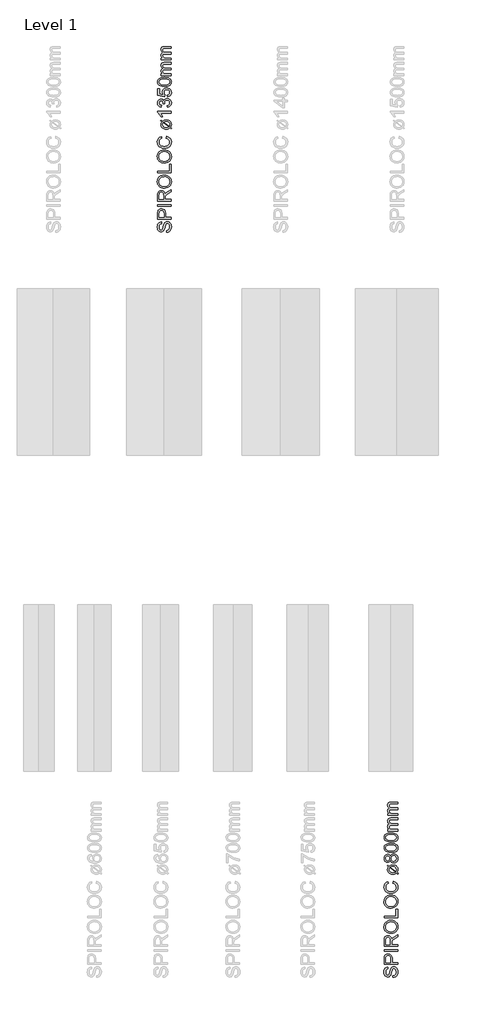
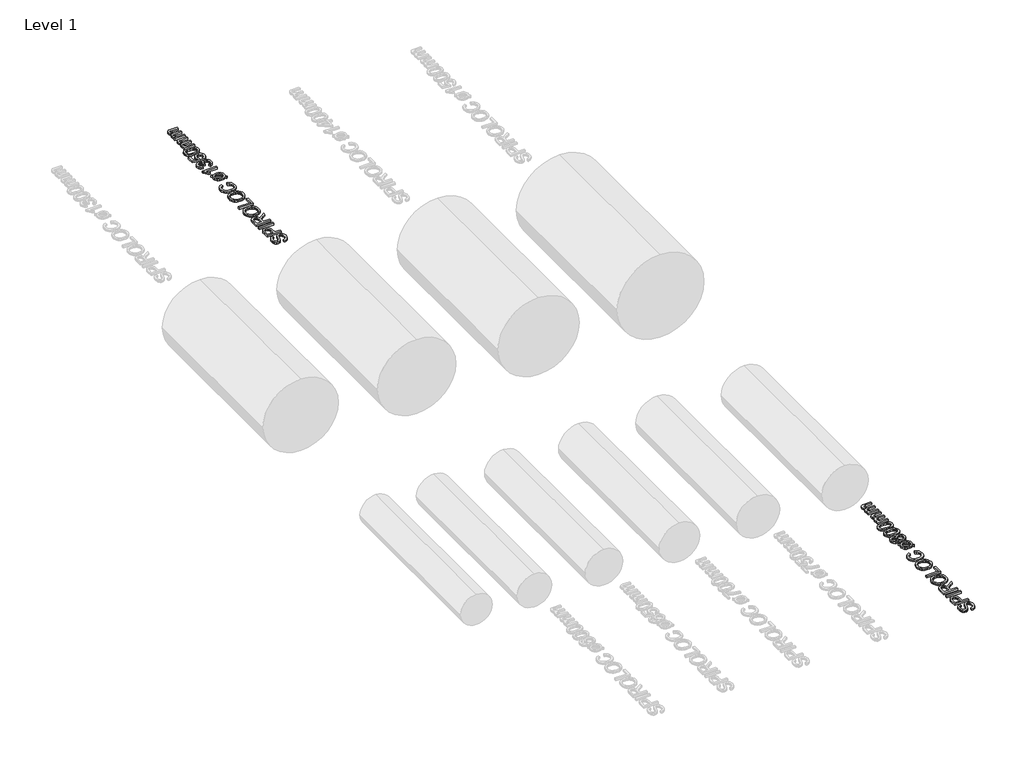
# One storey, part 18 of 19: 2 proxies.
"""IFC4 building model written with IfcOpenShell, lengths in millimetres."""

from ifc_helpers import new_model, si_unit, origin, origin_with_axes, place, context, project, spatial, polyline, outline, extrude, element, save

model = new_model("IFC4")

# Units and contexts
model_context = context("Model", 3, world=origin())
ifc_project = project(units=[si_unit("LENGTHUNIT", "METRE", prefix="MILLI")], contexts=[model_context])

# Site, building, storey
site = spatial("IfcSite", under=ifc_project)
building = spatial("IfcBuilding", under=site)
storey = spatial("IfcBuildingStorey", under=building, Name="Level 1", Elevation=0.0)

# Proxies
placement = place(None, origin())
element("IfcBuildingElementProxy", 1, Name="250mm", ObjectType="250mm", at=placement, inside=storey, context=model_context, shape_type="SweptSolid", body=[
    extrude(outline(polyline([(20678.116604, -1501.7841772), (20678.116604, -1471.0149464), (20695.1914237, -1467.4842974), (20708.9158829, -1461.099081), (20719.8083108, -1451.1381435), (20728.3870367, -1436.880331), (20733.953443, -1419.4524464), (20735.8089117, -1399.9812926), (20730.1899213, -1367.8298502), (20723.5192483, -1355.6678911), (20714.7452098, -1347.0666291), (20704.671592, -1341.950944), (20694.102181, -1340.2457156), (20674.9014598, -1345.3538887), (20667.3068084, -1353.1363406), (20660.929104, -1366.2673502), (20649.180306, -1411.0690329), (20634.0060271, -1459.2961964), (20623.6544646, -1474.6132036), (20611.1093925, -1485.4680714), (20596.6412435, -1491.93592), (20580.5204502, -1494.0918695), (20562.499116, -1491.4251026), (20545.694729, -1483.4248022), (20531.4519406, -1470.3013046), (20521.1154021, -1452.2649464), (20514.827842, -1430.615307), (20512.7319886, -1406.6519656), (20514.9254983, -1380.6904272), (20521.5060271, -1357.974081), (20532.3383588, -1339.3142252), (20547.2872771, -1325.5221579), (20565.4212915, -1316.7931916), (20585.8089117, -1313.3226387), (20585.8089117, -1344.0918695), (20567.4495367, -1349.7409079), (20554.1983348, -1361.5197541), (20546.1754983, -1379.9242012), (20543.5012194, -1405.4500426), (20546.1454502, -1431.5768454), (20554.0781425, -1449.5005233), (20565.7518204, -1459.8671099), (20579.6190079, -1463.3226387), (20591.4429261, -1460.8737204), (20600.9531425, -1453.5269656), (20609.4567483, -1436.1591772), (20618.1406425, -1403.286581), (20633.585354, -1348.8394656), (20644.7482146, -1331.2989007), (20658.5252579, -1319.0618214), (20674.7662435, -1311.872819), (20693.320931, -1309.4764849), (20712.2887795, -1312.2333959), (20730.1298252, -1320.5041291), (20745.4843925, -1333.9506435), (20756.992806, -1352.2348983), (20764.1818084, -1374.2225786), (20766.5781425, -1398.7793695), (20763.9940079, -1428.9251026), (20756.241604, -1453.7373022), (20743.2908829, -1473.5014248), (20725.1117963, -1488.5029272), (20702.9663636, -1498.1333358), (20678.116604, -1501.7841772)])), origin_with_axes(), (0.0, 0.0, 1.0), 30.0),
    extrude(outline(polyline([(20762.7319886, -1263.3226387), (20516.5781425, -1263.3226387), (20516.5781425, -1172.0966772), (20518.9218925, -1135.317831), (20523.3013997, -1118.919093), (20530.430306, -1105.4199945), (20540.6316281, -1094.5501026), (20554.2283829, -1086.0389849), (20570.2665439, -1080.5401868), (20587.7920848, -1078.7072541), (20616.8035031, -1083.6576748), (20640.977181, -1098.5089368), (20650.4949093, -1110.4023412), (20657.2932867, -1126.2808719), (20661.3723132, -1146.1445287), (20662.7319886, -1169.9933118), (20662.7319886, -1232.5534079), (20762.7319886, -1232.5534079), (20762.7319886, -1263.3226387)]), holes=[polyline([(20631.9627579, -1232.5534079), (20631.9627579, -1168.1904272), (20629.1382386, -1140.9067733), (20620.664681, -1122.8779272), (20607.0679261, -1112.8268454), (20588.8738156, -1109.4764849), (20575.0517002, -1111.4521459), (20563.3930463, -1117.3791291), (20554.6190079, -1126.5212565), (20549.4507386, -1138.1423502), (20547.3473733, -1168.911581), (20547.3473733, -1232.5534079), (20631.9627579, -1232.5534079)])]), origin_with_axes(), (0.0, 0.0, 1.0), 30.0),
    extrude(outline(polyline([(20762.7319886, -1032.5534079), (20516.5781425, -1032.5534079), (20516.5781425, -1001.7841772), (20762.7319886, -1001.7841772), (20762.7319886, -1032.5534079)])), origin_with_axes(), (0.0, 0.0, 1.0), 30.0),
    extrude(outline(polyline([(20762.7319886, -940.2457156), (20516.5781425, -940.2457156), (20516.5781425, -834.1760041), (20518.2382987, -805.6678911), (20523.2187675, -784.927206), (20532.413479, -769.7679512), (20546.7163636, -758.0041291), (20564.452241, -750.4545498), (20583.945931, -747.9380233), (20608.194729, -752.107194), (20628.2968925, -764.614706), (20643.0354742, -785.8361603), (20651.1935271, -816.1471579), (20664.3545848, -798.6591772), (20696.0252579, -773.7192733), (20762.7319886, -732.6736002), (20762.7319886, -768.4308118), (20711.710354, -800.4620618), (20677.9363156, -823.599081), (20661.9807867, -839.8550906), (20656.1214117, -854.4885041), (20655.039681, -872.3370618), (20655.039681, -909.4764849), (20762.7319886, -909.4764849), (20762.7319886, -940.2457156)]), holes=[polyline([(20624.2704502, -909.4764849), (20624.2704502, -840.6062926), (20619.913479, -805.4800906), (20614.2494165, -793.9266051), (20605.9711713, -785.5281676), (20595.9576497, -780.4124825), (20585.0877579, -778.7072541), (20570.0787435, -781.9599584), (20557.9843925, -791.7180714), (20550.0066281, -808.5074344), (20547.3473733, -832.8538887), (20547.3473733, -909.4764849), (20624.2704502, -909.4764849)])]), origin_with_axes(), (0.0, 0.0, 1.0), 30.0),
    extrude(outline(polyline([(20642.9002579, -705.630331), (20614.027812, -703.5795498), (20588.4681665, -697.427206), (20566.2213216, -687.1732998), (20547.2872771, -672.817831), (20532.1693384, -655.220926), (20521.3708108, -635.2427108), (20514.8916942, -612.8831856), (20512.7319886, -588.1423502), (20516.788479, -555.8556916), (20528.9579502, -526.9043695), (20548.3840319, -502.8659079), (20574.210354, -485.317831), (20605.1899213, -474.5906676), (20640.0757386, -471.0149464), (20675.4273011, -474.778468), (20706.8425656, -486.0690329), (20732.7139598, -504.2631435), (20751.4339117, -528.7373022), (20762.7920848, -557.4407276), (20766.5781425, -588.3226387), (20762.3939478, -621.1050906), (20749.8413636, -650.2216772), (20730.054705, -674.2000426), (20704.1682867, -691.567831), (20674.3831305, -702.114706), (20642.9002579, -705.630331)]), holes=[polyline([(20643.2007386, -674.8611002), (20663.5996269, -673.3230143), (20681.7073492, -668.7087565), (20697.5239057, -661.0183268), (20711.0492963, -650.2517252), (20721.8816281, -637.1639097), (20729.6190079, -622.5098382), (20734.2614358, -606.2895107), (20735.8089117, -588.5029272), (20734.2464117, -570.4121069), (20729.5589117, -554.0002228), (20721.7464117, -539.2672751), (20710.8089117, -526.2132637), (20696.9980644, -515.5255383), (20680.5655223, -507.8914488), (20661.5112855, -503.3109951), (20639.835354, -501.7841772), (20612.5967723, -504.3983599), (20589.054104, -512.2409079), (20569.8007987, -525.1089969), (20555.430306, -542.7998022), (20546.483491, -564.1414488), (20543.5012194, -587.9620618), (20549.2479141, -621.0600185), (20566.4879983, -649.2000426), (20579.9025866, -660.4267553), (20597.1595728, -668.4458358), (20618.2589568, -673.2572841), (20643.2007386, -674.8611002)])]), origin_with_axes(), (0.0, 0.0, 1.0), 30.0),
    extrude(outline(polyline([(20762.7319886, -428.7072541), (20516.5781425, -428.7072541), (20516.5781425, -397.9380233), (20731.9627579, -397.9380233), (20731.9627579, -274.8611002), (20762.7319886, -274.8611002), (20762.7319886, -428.7072541)])), origin_with_axes(), (0.0, 0.0, 1.0), 30.0),
    extrude(outline(polyline([(20642.9002579, -251.7841772), (20614.027812, -249.7333959), (20588.4681665, -243.5810522), (20566.2213216, -233.3271459), (20547.2872771, -218.9716772), (20532.1693384, -201.3747721), (20521.3708108, -181.396557), (20514.8916942, -159.0370317), (20512.7319886, -134.2961964), (20516.788479, -102.0095377), (20528.9579502, -73.0582156), (20548.3840319, -49.0197541), (20574.210354, -31.4716772), (20605.1899213, -20.7445137), (20640.0757386, -17.1687926), (20675.4273011, -20.9323142), (20706.8425656, -32.2228791), (20732.7139598, -50.4169897), (20751.4339117, -74.8911483), (20762.7920848, -103.5945738), (20766.5781425, -134.4764849), (20762.3939478, -167.2589368), (20749.8413636, -196.3755233), (20730.054705, -220.3538887), (20704.1682867, -237.7216772), (20674.3831305, -248.2685522), (20642.9002579, -251.7841772)]), holes=[polyline([(20643.2007386, -221.0149464), (20663.5996269, -219.4768605), (20681.7073492, -214.8626026), (20697.5239057, -207.172173), (20711.0492963, -196.4055714), (20721.8816281, -183.3177559), (20729.6190079, -168.6636844), (20734.2614358, -152.4433569), (20735.8089117, -134.6567733), (20734.2464117, -116.565953), (20729.5589117, -100.154069), (20721.7464117, -85.4211213), (20710.8089117, -72.3671099), (20696.9980644, -61.6793845), (20680.5655223, -54.045295), (20661.5112855, -49.4648412), (20639.835354, -47.9380233), (20612.5967723, -50.552206), (20589.054104, -58.3947541), (20569.8007987, -71.262843), (20555.430306, -88.9536483), (20546.483491, -110.295295), (20543.5012194, -134.1159079), (20549.2479141, -167.2138647), (20566.4879983, -195.3538887), (20579.9025866, -206.5806014), (20597.1595728, -214.599682), (20618.2589568, -219.4111303), (20643.2007386, -221.0149464)])]), origin_with_axes(), (0.0, 0.0, 1.0), 30.0),
    extrude(outline(polyline([(20675.2319886, 198.2158228), (20683.164681, 228.9850536), (20719.0195487, 214.7873373), (20745.2139598, 192.5066882), (20761.2370968, 163.2398613), (20766.5781425, 128.0836113), (20762.5366761, 92.3940079), (20750.4122771, 64.0511594), (20730.6256185, 42.3263998), (20703.5973733, 26.4910632), (20671.8215319, 16.8230945), (20637.7920848, 13.6004382), (20601.8996569, 17.2437675), (20570.9050656, 28.1737555), (20545.7923853, 45.8194887), (20527.5456906, 69.6100536), (20516.4354141, 97.8251978), (20512.7319886, 128.744669), (20517.5246569, 162.4811474), (20531.9026617, 190.3732748), (20554.9795848, 211.549657), (20585.8690079, 225.1388998), (20593.2007386, 194.369669), (20570.7623372, 183.7026017), (20555.3702098, 169.1292844), (20546.468467, 150.4694286), (20543.5012194, 127.5427459), (20546.7914838, 101.1154623), (20556.6622771, 79.4057267), (20572.0769406, 62.9318685), (20591.9988156, 52.2122171), (20614.5198492, 46.330306), (20637.7319886, 44.369669), (20666.1574694, 46.6908829), (20690.7367963, 53.6545248), (20710.530967, 65.5235151), (20724.600979, 82.5607748), (20733.0069285, 102.985955), (20735.8089117, 125.0187074), (20731.992806, 150.7023012), (20720.5444886, 172.104044), (20701.5841521, 188.2623974), (20675.2319886, 198.2158228)])), origin_with_axes(), (0.0, 0.0, 1.0), 30.0),
    extrude(outline(polyline([(20595.664681, 490.2831305), (20571.3858348, 508.6725536), (20582.5637194, 523.3360151), (20607.9843925, 504.0451498), (20634.2464117, 519.5499574), (20673.429104, 525.1388998), (20696.9717723, 523.3923553), (20717.179104, 518.1527219), (20734.0510992, 509.4199995), (20747.5877579, 497.1941882), (20761.8305463, 472.2092123), (20766.5781425, 442.5667844), (20762.5366761, 417.822193), (20750.4122771, 396.1124574), (20774.2704502, 378.0235151), (20763.3329502, 363.119669), (20740.5565079, 380.4273613), (20717.3593925, 366.4249574), (20697.5577098, 361.4219526), (20675.2920848, 359.7542844), (20651.4057417, 361.2717123), (20631.0688276, 365.8239959), (20614.2813426, 373.4111353), (20601.0432867, 384.0331305), (20583.8482747, 410.4303661), (20578.116604, 441.0643805), (20582.3533829, 466.0042844), (20595.664681, 490.2831305)]), holes=[polyline([(20617.539681, 473.6965921), (20611.0492963, 458.3119767), (20608.8858348, 442.2062074), (20613.0399814, 421.9988757), (20625.5024213, 405.3672651), (20646.1830103, 394.2344526), (20674.991604, 390.5235151), (20697.4074694, 392.6719526), (20715.8569886, 399.1172651), (20617.539681, 473.6965921)]), polyline([(20632.9242963, 485.1749574), (20730.7007386, 411.0163036), (20735.8089117, 440.5836113), (20731.7449093, 461.9177459), (20719.5529021, 479.1653421), (20699.2479141, 490.5685873), (20670.8449694, 494.369669), (20649.6310271, 492.025919), (20632.9242963, 485.1749574)])]), origin_with_axes(), (0.0, 0.0, 1.0), 30.0),
    extrude(outline(polyline([(20627.1550656, 608.432169), (20619.0420848, 591.9583108), (20608.0444886, 580.3973132), (20594.3876377, 573.5688877), (20578.2968925, 571.2927459), (20554.2434069, 576.2506786), (20534.366604, 591.1244767), (20521.0252579, 614.2464719), (20516.5781425, 643.9489959), (20521.1304261, 673.8318084), (20534.7872771, 697.2542844), (20554.9795848, 712.3985151), (20579.1382386, 717.4465921), (20594.7106545, 715.2004983), (20608.1346329, 708.4622171), (20619.0646209, 697.1566281), (20627.1550656, 681.2086113), (20636.9131785, 700.1464118), (20651.2836713, 713.9309671), (20669.5754382, 722.3369166), (20691.0973733, 725.1388998), (20720.5144406, 719.5800055), (20744.8233348, 702.9033228), (20754.3410632, 690.9066281), (20761.1394406, 677.1521209), (20766.5781425, 644.369669), (20761.1169045, 611.5872171), (20754.290357, 597.8327099), (20744.7331906, 585.8360151), (20720.1914237, 569.1593324), (20690.2560271, 563.6004382), (20667.9002579, 566.5151017), (20649.5108348, 575.2590921), (20635.7187675, 589.3816882), (20627.1550656, 608.432169)]), holes=[polyline([(20579.1983348, 602.0619767), (20592.6298252, 604.7888397), (20603.3569886, 612.9694286), (20610.3882386, 626.3633589), (20612.7319886, 644.7302459), (20610.4032627, 662.6689478), (20603.4170848, 675.8600536), (20593.0504983, 683.9730344), (20580.5805463, 686.6773613), (20567.6373372, 683.8828901), (20556.9327098, 675.4994767), (20549.7437074, 662.1280824), (20547.3473733, 644.369669), (20549.6911233, 626.4985752), (20556.7223733, 613.1497171), (20567.0288636, 604.8339118), (20579.1983348, 602.0619767)]), polyline([(20689.1742963, 594.369669), (20712.3413636, 599.5078901), (20722.2797651, 606.6217724), (20729.679104, 617.6869767), (20735.8089117, 644.6100536), (20732.5862555, 665.5535632), (20722.9182867, 681.2687074), (20708.2773612, 691.0944286), (20690.1358348, 694.369669), (20671.6863156, 690.9892603), (20656.7223733, 680.8480344), (20646.8065079, 664.7723132), (20643.5012194, 643.588419), (20646.7614358, 622.9378781), (20656.5420848, 607.3804863), (20671.2205704, 597.6223733), (20689.1742963, 594.369669)])]), origin_with_axes(), (0.0, 0.0, 1.0), 30.0),
    extrude(outline(polyline([(20641.6382386, 752.0619767), (20602.2376978, 754.3230945), (20570.8149213, 761.1064478), (20546.8891401, 772.3444286), (20529.9795848, 787.9694286), (20519.9285031, 808.0941281), (20516.5781425, 832.8312074), (20518.5613156, 851.791544), (20524.5108348, 868.7687074), (20534.1938276, 882.9664238), (20547.3774213, 893.588419), (20583.7956906, 908.0114959), (20608.9985151, 912.2032026), (20641.6382386, 913.6004382), (20680.8134189, 911.3618565), (20712.1610752, 904.6461113), (20736.1093925, 893.4757387), (20753.086556, 877.8732748), (20763.2052459, 857.7035031), (20766.5781425, 832.8312074), (20765.1132987, 815.8840921), (20760.7187675, 800.8600536), (20753.3945487, 787.7590921), (20743.1406425, 776.5812074), (20724.604735, 765.854044), (20701.5090319, 758.1917844), (20673.8535331, 753.5944286), (20641.6382386, 752.0619767)]), holes=[polyline([(20641.5781425, 782.8312074), (20689.9780824, 786.4369767), (20706.5326948, 790.9441882), (20717.9904021, 797.2542844), (20731.3542843, 813.3600536), (20735.8089117, 832.8312074), (20731.3392603, 852.3023613), (20717.930306, 868.4081305), (20706.4538186, 874.7182267), (20689.9029622, 879.2254382), (20641.5781425, 882.8312074), (20594.2674454, 879.3456305), (20577.7672951, 874.9886594), (20566.0372771, 868.8888998), (20552.0198492, 852.8131786), (20547.3473733, 832.4706305), (20551.4639598, 813.2098132), (20563.8137194, 797.7350536), (20576.5841521, 791.2146209), (20593.8017002, 786.557169), (20641.5781425, 782.8312074)])]), origin_with_axes(), (0.0, 0.0, 1.0), 30.0),
    extrude(outline(polyline([(20641.6382386, 940.5235151), (20602.2376978, 942.7846329), (20570.8149213, 949.5679863), (20546.8891401, 960.8059671), (20529.9795848, 976.4309671), (20519.9285031, 996.5556666), (20516.5781425, 1021.2927459), (20518.5613156, 1040.2530824), (20524.5108348, 1057.2302459), (20534.1938276, 1071.4279623), (20547.3774213, 1082.0499574), (20583.7956906, 1096.4730344), (20608.9985151, 1100.6647411), (20641.6382386, 1102.0619767), (20680.8134189, 1099.8233949), (20712.1610752, 1093.1076498), (20736.1093925, 1081.9372772), (20753.086556, 1066.3348132), (20763.2052459, 1046.1650416), (20766.5781425, 1021.2927459), (20765.1132987, 1004.3456305), (20760.7187675, 989.3215921), (20753.3945487, 976.2206305), (20743.1406425, 965.0427459), (20724.604735, 954.3155824), (20701.5090319, 946.6533228), (20673.8535331, 942.0559671), (20641.6382386, 940.5235151)]), holes=[polyline([(20641.5781425, 971.2927459), (20689.9780824, 974.8985151), (20706.5326948, 979.4057267), (20717.9904021, 985.7158228), (20731.3542843, 1001.8215921), (20735.8089117, 1021.2927459), (20731.3392603, 1040.7638998), (20717.930306, 1056.869669), (20706.4538186, 1063.1797651), (20689.9029622, 1067.6869767), (20641.5781425, 1071.2927459), (20594.2674454, 1067.807169), (20577.7672951, 1063.4501978), (20566.0372771, 1057.3504382), (20552.0198492, 1041.2747171), (20547.3473733, 1020.932169), (20551.4639598, 1001.6713517), (20563.8137194, 986.1965921), (20576.5841521, 979.6761594), (20593.8017002, 975.0187074), (20641.5781425, 971.2927459)])]), origin_with_axes(), (0.0, 0.0, 1.0), 30.0),
    extrude(outline(polyline([(20762.7319886, 1136.6773613), (20581.9627579, 1136.6773613), (20581.9627579, 1167.4465921), (20611.710354, 1167.4465921), (20598.045991, 1176.7013998), (20587.3413636, 1188.6004382), (20580.4227939, 1202.7380584), (20578.116604, 1218.7086113), (20580.467866, 1235.8209911), (20587.5216521, 1249.5379382), (20598.812217, 1259.7843324), (20613.8738156, 1266.4850536), (20598.2300355, 1277.7004983), (20587.0559069, 1290.4934671), (20580.3514298, 1304.8639599), (20578.116604, 1320.8119767), (20581.8350535, 1343.9414839), (20592.9904021, 1361.0463517), (20611.8831305, 1371.6157627), (20638.8137194, 1375.1388998), (20762.7319886, 1375.1388998), (20762.7319886, 1344.369669), (20652.0348733, 1344.369669), (20626.3437675, 1341.5151017), (20613.6935271, 1331.1785632), (20608.8858348, 1313.6004382), (20611.9657627, 1296.9312675), (20621.2055463, 1283.3420248), (20637.2361954, 1274.3050656), (20660.6887194, 1271.2927459), (20762.7319886, 1271.2927459), (20762.7319886, 1240.5235151), (20648.6093925, 1240.5235151), (20631.211556, 1238.7431666), (20618.8017002, 1233.4021209), (20611.3648011, 1224.0045849), (20608.8858348, 1210.0547651), (20610.538479, 1198.2007988), (20615.4964117, 1187.2783228), (20623.6394406, 1178.2638998), (20634.8473733, 1172.1340921), (20671.5661233, 1167.4465921), (20762.7319886, 1167.4465921), (20762.7319886, 1136.6773613)])), origin_with_axes(), (0.0, 0.0, 1.0), 30.0),
    extrude(outline(polyline([(20762.7319886, 1421.2927459), (20581.9627579, 1421.2927459), (20581.9627579, 1452.0619767), (20611.710354, 1452.0619767), (20598.045991, 1461.3167844), (20587.3413636, 1473.2158228), (20580.4227939, 1487.353443), (20578.116604, 1503.3239959), (20580.467866, 1520.4363757), (20587.5216521, 1534.1533228), (20598.812217, 1544.3997171), (20613.8738156, 1551.1004382), (20598.2300355, 1562.3158829), (20587.0559069, 1575.1088517), (20580.3514298, 1589.4793445), (20578.116604, 1605.4273613), (20581.8350535, 1628.5568685), (20592.9904021, 1645.6617363), (20611.8831305, 1656.2311474), (20638.8137194, 1659.7542844), (20762.7319886, 1659.7542844), (20762.7319886, 1628.9850536), (20652.0348733, 1628.9850536), (20626.3437675, 1626.1304863), (20613.6935271, 1615.7939478), (20608.8858348, 1598.2158228), (20611.9657627, 1581.5466522), (20621.2055463, 1567.9574094), (20637.2361954, 1558.9204502), (20660.6887194, 1555.9081305), (20762.7319886, 1555.9081305), (20762.7319886, 1525.1388998), (20648.6093925, 1525.1388998), (20631.211556, 1523.3585512), (20618.8017002, 1518.0175055), (20611.3648011, 1508.6199695), (20608.8858348, 1494.6701498), (20610.538479, 1482.8161834), (20615.4964117, 1471.8937074), (20623.6394406, 1462.8792844), (20634.8473733, 1456.7494767), (20671.5661233, 1452.0619767), (20762.7319886, 1452.0619767), (20762.7319886, 1421.2927459)])), origin_with_axes(), (0.0, 0.0, 1.0), 30.0),
])
element("IfcBuildingElementProxy", 2, Name="250mm", ObjectType="250mm", at=placement, inside=storey, context=model_context, shape_type="SweptSolid", body=[
    extrude(outline(polyline([(16588.3043383, 11932.8312074), (16588.3043383, 11963.6004382), (16605.3791581, 11967.1310873), (16619.1036172, 11973.5163036), (16629.9960451, 11983.4772411), (16638.574771, 11997.7350536), (16644.1411773, 12015.1629382), (16645.996646, 12034.6340921), (16640.3776557, 12066.7855344), (16633.7069826, 12078.9474935), (16624.9329441, 12087.5487555), (16614.8593263, 12092.6644406), (16604.2899153, 12094.369669), (16585.0891941, 12089.2614959), (16577.4945427, 12081.479044), (16571.1168383, 12068.3480344), (16559.3680403, 12023.5463517), (16544.1937614, 11975.3191882), (16533.8421989, 11960.002181), (16521.2971268, 11949.1473132), (16506.8289778, 11942.6794647), (16490.7081845, 11940.5235151), (16472.6868504, 11943.190282), (16455.8824633, 11951.1905824), (16441.6396749, 11964.31408), (16431.3031364, 11982.3504382), (16425.0155763, 12004.0000776), (16422.919723, 12027.963419), (16425.1132326, 12053.9249574), (16431.6937614, 12076.6413036), (16442.5260932, 12095.3011594), (16457.4750114, 12109.0932267), (16475.6090258, 12117.822193), (16495.996646, 12121.2927459), (16495.996646, 12090.5235151), (16477.637271, 12084.8744767), (16464.3860691, 12073.0956305), (16456.3632326, 12054.6911834), (16453.6889537, 12029.1653421), (16456.3331845, 12003.0385392), (16464.2658768, 11985.1148613), (16475.9395547, 11974.7482748), (16489.8067422, 11971.2927459), (16501.6306605, 11973.7416642), (16511.1408768, 11981.088419), (16519.6444826, 11998.4562074), (16528.3283768, 12031.3288036), (16543.7730883, 12085.775919), (16554.9359489, 12103.3164839), (16568.7129922, 12115.5535632), (16584.9539778, 12122.7425656), (16603.5086653, 12125.1388998), (16622.4765138, 12122.3819887), (16640.3175595, 12114.1112555), (16655.6721268, 12100.6647411), (16667.1805403, 12082.3804863), (16674.3695427, 12060.392806), (16676.7658768, 12035.8360151), (16674.1817422, 12005.690282), (16666.4293383, 11980.8780824), (16653.4786172, 11961.1139599), (16635.2995307, 11946.1124574), (16613.154098, 11936.4820488), (16588.3043383, 11932.8312074)])), origin_with_axes(), (0.0, 0.0, 1.0), 30.0),
    extrude(outline(polyline([(16672.919723, 12171.2927459), (16426.7658768, 12171.2927459), (16426.7658768, 12262.5187074), (16429.1096268, 12299.2975536), (16433.489134, 12315.6962916), (16440.6180403, 12329.1953901), (16450.8193624, 12340.065282), (16464.4161172, 12348.5763998), (16480.4542783, 12354.0751978), (16497.9798191, 12355.9081305), (16526.9912374, 12350.9577099), (16551.1649153, 12336.1064478), (16560.6826436, 12324.2130434), (16567.481021, 12308.3345127), (16571.5600475, 12288.4708559), (16572.919723, 12264.6220728), (16572.919723, 12202.0619767), (16672.919723, 12202.0619767), (16672.919723, 12171.2927459)]), holes=[polyline([(16542.1504922, 12202.0619767), (16542.1504922, 12266.4249574), (16539.325973, 12293.7086113), (16530.8524153, 12311.7374574), (16517.2556605, 12321.7885392), (16499.0615499, 12325.1388998), (16485.2394345, 12323.1632387), (16473.5807807, 12317.2362555), (16464.8067422, 12308.0941281), (16459.638473, 12296.4730344), (16457.5351076, 12265.7038036), (16457.5351076, 12202.0619767), (16542.1504922, 12202.0619767)])]), origin_with_axes(), (0.0, 0.0, 1.0), 30.0),
    extrude(outline(polyline([(16672.919723, 12402.0619767), (16426.7658768, 12402.0619767), (16426.7658768, 12432.8312074), (16672.919723, 12432.8312074), (16672.919723, 12402.0619767)])), origin_with_axes(), (0.0, 0.0, 1.0), 30.0),
    extrude(outline(polyline([(16672.919723, 12494.369669), (16426.7658768, 12494.369669), (16426.7658768, 12600.4393805), (16428.4260331, 12628.9474935), (16433.4065018, 12649.6881786), (16442.6012133, 12664.8474334), (16456.904098, 12676.6112555), (16474.6399754, 12684.1608349), (16494.1336653, 12686.6773613), (16518.3824633, 12682.5081906), (16538.4846268, 12670.0006786), (16553.2232085, 12648.7792243), (16561.3812614, 12618.4682267), (16574.5423191, 12635.9562074), (16606.2129922, 12660.8961113), (16672.919723, 12701.9417844), (16672.919723, 12666.1845728), (16621.8980883, 12634.1533228), (16588.1240499, 12611.0163036), (16572.168521, 12594.760294), (16566.309146, 12580.1268805), (16565.2274153, 12562.2783228), (16565.2274153, 12525.1388998), (16672.919723, 12525.1388998), (16672.919723, 12494.369669)]), holes=[polyline([(16534.4581845, 12525.1388998), (16534.4581845, 12594.0090921), (16530.1012133, 12629.135294), (16524.4371508, 12640.6887796), (16516.1589057, 12649.0872171), (16506.145384, 12654.2029022), (16495.2754922, 12655.9081305), (16480.2664778, 12652.6554262), (16468.1721268, 12642.8973132), (16460.1943624, 12626.1079502), (16457.5351076, 12601.7614959), (16457.5351076, 12525.1388998), (16534.4581845, 12525.1388998)])]), origin_with_axes(), (0.0, 0.0, 1.0), 30.0),
    extrude(outline(polyline([(16553.0879922, 12728.9850536), (16524.2155463, 12731.0358349), (16498.6559008, 12737.1881786), (16476.4090559, 12747.4420849), (16457.4750114, 12761.7975536), (16442.3570727, 12779.3944587), (16431.5585451, 12799.3726738), (16425.0794285, 12821.732199), (16422.919723, 12846.4730344), (16426.9762133, 12878.759693), (16439.1456845, 12907.7110151), (16458.5717662, 12931.7494767), (16484.3980883, 12949.2975536), (16515.3776557, 12960.0247171), (16550.263473, 12963.6004382), (16585.6150355, 12959.8369166), (16617.0302999, 12948.5463517), (16642.9016941, 12930.3522411), (16661.621646, 12905.8780824), (16672.9798191, 12877.174657), (16676.7658768, 12846.2927459), (16672.5816821, 12813.510294), (16660.029098, 12784.3937074), (16640.2424393, 12760.4153421), (16614.356021, 12743.0475536), (16584.5708648, 12732.5006786), (16553.0879922, 12728.9850536)]), holes=[polyline([(16553.388473, 12759.7542844), (16573.7873612, 12761.2923703), (16591.8950835, 12765.9066281), (16607.71164, 12773.5970578), (16621.2370307, 12784.3636594), (16632.0693624, 12797.4514749), (16639.8067422, 12812.1055464), (16644.4491701, 12828.3258739), (16645.996646, 12846.1124574), (16644.434146, 12864.2032778), (16639.746646, 12880.6151618), (16631.934146, 12895.3481095), (16620.996646, 12908.4021209), (16607.1857987, 12919.0898463), (16590.7532566, 12926.7239358), (16571.6990198, 12931.3043895), (16550.0230883, 12932.8312074), (16522.7845066, 12930.2170248), (16499.2418383, 12922.3744767), (16479.9885331, 12909.5063877), (16465.6180403, 12891.8155824), (16456.6712254, 12870.4739358), (16453.6889537, 12846.6533228), (16459.4356484, 12813.5553661), (16476.6757326, 12785.4153421), (16490.0903209, 12774.1886293), (16507.3473071, 12766.1695488), (16528.4466911, 12761.3581005), (16553.388473, 12759.7542844)])]), origin_with_axes(), (0.0, 0.0, 1.0), 30.0),
    extrude(outline(polyline([(16672.919723, 13005.9081305), (16426.7658768, 13005.9081305), (16426.7658768, 13036.6773613), (16642.1504922, 13036.6773613), (16642.1504922, 13159.7542844), (16672.919723, 13159.7542844), (16672.919723, 13005.9081305)])), origin_with_axes(), (0.0, 0.0, 1.0), 30.0),
    extrude(outline(polyline([(16553.0879922, 13182.8312074), (16524.2155463, 13184.8819887), (16498.6559008, 13191.0343324), (16476.4090559, 13201.2882387), (16457.4750114, 13215.6437074), (16442.3570727, 13233.2406125), (16431.5585451, 13253.2188276), (16425.0794285, 13275.5783529), (16422.919723, 13300.3191882), (16426.9762133, 13332.6058469), (16439.1456845, 13361.557169), (16458.5717662, 13385.5956305), (16484.3980883, 13403.1437074), (16515.3776557, 13413.8708709), (16550.263473, 13417.4465921), (16585.6150355, 13413.6830704), (16617.0302999, 13402.3925055), (16642.9016941, 13384.1983949), (16661.621646, 13359.7242363), (16672.9798191, 13331.0208108), (16676.7658768, 13300.1388998), (16672.5816821, 13267.3564478), (16660.029098, 13238.2398613), (16640.2424393, 13214.2614959), (16614.356021, 13196.8937074), (16584.5708648, 13186.3468324), (16553.0879922, 13182.8312074)]), holes=[polyline([(16553.388473, 13213.6004382), (16573.7873612, 13215.1385242), (16591.8950835, 13219.752782), (16607.71164, 13227.4432117), (16621.2370307, 13238.2098132), (16632.0693624, 13251.2976287), (16639.8067422, 13265.9517002), (16644.4491701, 13282.1720278), (16645.996646, 13299.9586113), (16644.434146, 13318.0494316), (16639.746646, 13334.4613156), (16631.934146, 13349.1942633), (16620.996646, 13362.2482748), (16607.1857987, 13372.9360001), (16590.7532566, 13380.5700897), (16571.6990198, 13385.1505434), (16550.0230883, 13386.6773613), (16522.7845066, 13384.0631786), (16499.2418383, 13376.2206305), (16479.9885331, 13363.3525416), (16465.6180403, 13345.6617363), (16456.6712254, 13324.3200897), (16453.6889537, 13300.4994767), (16459.4356484, 13267.4015199), (16476.6757326, 13239.2614959), (16490.0903209, 13228.0347832), (16507.3473071, 13220.0157026), (16528.4466911, 13215.2042543), (16553.388473, 13213.6004382)])]), origin_with_axes(), (0.0, 0.0, 1.0), 30.0),
    extrude(outline(polyline([(16585.419723, 13632.8312074), (16593.3524153, 13663.6004382), (16629.2072831, 13649.4027219), (16655.4016941, 13627.1220728), (16671.4248311, 13597.8552459), (16676.7658768, 13562.6989959), (16672.7244105, 13527.0093925), (16660.6000114, 13498.666544), (16640.8133528, 13476.9417844), (16613.7851076, 13461.1064478), (16582.0092662, 13451.4384791), (16547.9798191, 13448.2158228), (16512.0873912, 13451.8591522), (16481.0927999, 13462.7891401), (16455.9801196, 13480.4348733), (16437.7334249, 13504.2254382), (16426.6231484, 13532.4405824), (16422.919723, 13563.3600536), (16427.7123912, 13597.096532), (16442.090396, 13624.9886594), (16465.1673191, 13646.1650416), (16496.0567422, 13659.7542844), (16503.388473, 13628.9850536), (16480.9500715, 13618.3179863), (16465.5579441, 13603.744669), (16456.6562013, 13585.0848132), (16453.6889537, 13562.1581305), (16456.9792182, 13535.7308469), (16466.8500114, 13514.0211113), (16482.2646749, 13497.5472531), (16502.1865499, 13486.8276017), (16524.7075835, 13480.9456906), (16547.919723, 13478.9850536), (16576.3452037, 13481.3062675), (16600.9245307, 13488.2699094), (16620.7187013, 13500.1388998), (16634.7887133, 13517.1761594), (16643.1946629, 13537.6013397), (16645.996646, 13559.6340921), (16642.1805403, 13585.3176858), (16630.732223, 13606.7194286), (16611.7718864, 13622.877782), (16585.419723, 13632.8312074)])), origin_with_axes(), (0.0, 0.0, 1.0), 30.0),
    extrude(outline(polyline([(16505.8524153, 13924.8985151), (16481.5735691, 13943.2879382), (16492.7514537, 13957.9513998), (16518.1721268, 13938.6605344), (16544.434146, 13954.1653421), (16583.6168383, 13959.7542844), (16607.1595066, 13958.0077399), (16627.3668383, 13952.7681065), (16644.2388335, 13944.0353841), (16657.7754922, 13931.8095728), (16672.0182807, 13906.8245969), (16676.7658768, 13877.182169), (16672.7244105, 13852.4375776), (16660.6000114, 13830.7278421), (16684.4581845, 13812.6388998), (16673.5206845, 13797.7350536), (16650.7442422, 13815.0427459), (16627.5471268, 13801.0403421), (16607.7454441, 13796.0373373), (16585.4798191, 13794.369669), (16561.593476, 13795.8870969), (16541.2565619, 13800.4393805), (16524.4690769, 13808.0265199), (16511.231021, 13818.6485151), (16494.036009, 13845.0457507), (16488.3043383, 13875.6797651), (16492.5411172, 13900.619669), (16505.8524153, 13924.8985151)]), holes=[polyline([(16527.7274153, 13908.3119767), (16521.2370307, 13892.9273613), (16519.0735691, 13876.8215921), (16523.2277158, 13856.6142603), (16535.6901557, 13839.9826498), (16556.3707446, 13828.8498373), (16585.1793383, 13825.1388998), (16607.5952037, 13827.2873373), (16626.044723, 13833.7326498), (16527.7274153, 13908.3119767)]), polyline([(16543.1120307, 13919.7903421), (16640.888473, 13845.6316882), (16645.996646, 13875.1989959), (16641.9326436, 13896.5331305), (16629.7406364, 13913.7807267), (16609.4356484, 13925.1839719), (16581.0327037, 13928.9850536), (16559.8187614, 13926.6413036), (16543.1120307, 13919.7903421)])]), origin_with_axes(), (0.0, 0.0, 1.0), 30.0),
    extrude(outline(polyline([(16672.919723, 14113.6004382), (16672.919723, 14082.8312074), (16481.0927999, 14082.8312074), (16501.856021, 14053.6845728), (16517.3908768, 14021.2927459), (16488.3043383, 14021.2927459), (16475.1583047, 14045.4589118), (16459.5182807, 14066.3949094), (16442.8866701, 14082.8988156), (16426.7658768, 14093.7687074), (16426.7658768, 14113.6004382), (16672.919723, 14113.6004382)])), origin_with_axes(), (0.0, 0.0, 1.0), 30.0),
    extrude(outline(polyline([(16607.5351076, 14186.6773613), (16603.6889537, 14217.4465921), (16623.0248912, 14224.3351137), (16636.0807807, 14234.4237555), (16643.5176797, 14248.2083108), (16645.996646, 14266.1845728), (16642.5861893, 14287.2783228), (16632.3548191, 14303.5643805), (16617.090396, 14313.9760392), (16598.5807807, 14317.4465921), (16581.0101677, 14314.0060873), (16566.7598672, 14303.6845728), (16557.317259, 14288.0595728), (16554.169723, 14268.7086113), (16557.5351076, 14247.1340921), (16526.7658768, 14250.5595728), (16527.1264537, 14255.4874574), (16524.9179201, 14273.9219526), (16518.2923191, 14290.4033228), (16507.0843864, 14302.0319286), (16491.1288576, 14305.9081305), (16477.8400956, 14303.0986353), (16467.060348, 14294.6701498), (16459.9164177, 14281.8095728), (16457.5351076, 14265.7038036), (16459.9389537, 14249.5679863), (16467.1504922, 14236.3768805), (16479.169723, 14226.7464719), (16495.996646, 14221.2927459), (16492.1504922, 14190.5235151), (16464.5212855, 14199.5830103), (16443.8932807, 14215.7038036), (16431.0477278, 14237.7590921), (16426.7658768, 14264.6220728), (16428.8767542, 14283.9655224), (16435.2093864, 14301.7314478), (16445.200372, 14316.7104142), (16458.2863095, 14327.6929863), (16473.3629321, 14334.4312675), (16489.325973, 14336.6773613), (16504.199771, 14334.5439478), (16517.6913576, 14328.1437074), (16529.184747, 14317.5667844), (16538.0639537, 14302.9033228), (16545.8464057, 14322.1641401), (16559.0976076, 14336.4369767), (16577.0964057, 14345.2711113), (16599.121646, 14348.2158228), (16629.1096268, 14342.3263998), (16654.169723, 14324.6581305), (16664.0555403, 14312.1017904), (16671.1168383, 14297.9904623), (16676.7658768, 14265.1028421), (16671.9431605, 14235.3552459), (16657.4750114, 14211.1364959), (16635.3446028, 14194.2945488), (16607.5351076, 14186.6773613)])), origin_with_axes(), (0.0, 0.0, 1.0), 30.0),
    extrude(outline(polyline([(16607.5351076, 14375.1388998), (16603.6889537, 14405.9081305), (16622.161009, 14411.557169), (16635.3896749, 14421.4129382), (16643.3449033, 14435.4303661), (16645.996646, 14453.5643805), (16642.3082446, 14475.619669), (16631.2430403, 14492.1461113), (16614.0780763, 14502.4676257), (16592.090396, 14505.9081305), (16571.387271, 14502.6854743), (16555.5519345, 14493.0175055), (16545.5008528, 14476.8291041), (16542.1504922, 14454.0451498), (16547.4990499, 14427.0319286), (16561.3812614, 14409.7542844), (16557.5351076, 14378.9850536), (16430.6120307, 14405.9081305), (16430.6120307, 14525.1388998), (16461.3812614, 14525.1388998), (16461.3812614, 14430.7879382), (16529.169723, 14417.6268805), (16515.8283768, 14439.6070488), (16511.3812614, 14462.6388998), (16516.8950835, 14491.3873974), (16533.4365499, 14515.2530824), (16558.6468864, 14531.3212916), (16590.1673191, 14536.6773613), (16620.9365499, 14531.8546449), (16647.2586653, 14517.3864959), (16660.1680703, 14504.6010392), (16669.3890739, 14489.682169), (16674.9216761, 14472.6298853), (16676.7658768, 14453.4441882), (16672.0257927, 14423.2233349), (16657.8055403, 14399.1473132), (16635.7577638, 14382.643407), (16607.5351076, 14375.1388998)])), origin_with_axes(), (0.0, 0.0, 1.0), 30.0),
    extrude(outline(polyline([(16551.825973, 14563.6004382), (16512.4254321, 14565.861556), (16481.0026557, 14572.6449094), (16457.0768744, 14583.8828901), (16440.1673191, 14599.5078901), (16430.1162374, 14619.6325897), (16426.7658768, 14644.369669), (16428.7490499, 14663.3300055), (16434.6985691, 14680.307169), (16444.3815619, 14694.5048853), (16457.5651557, 14705.1268805), (16493.9834249, 14719.5499574), (16519.1862494, 14723.7416642), (16551.825973, 14725.1388998), (16591.0011533, 14722.900318), (16622.3488095, 14716.1845728), (16646.2971268, 14705.0142002), (16663.2742903, 14689.4117363), (16673.3929802, 14669.2419647), (16676.7658768, 14644.369669), (16675.3010331, 14627.4225536), (16670.9065018, 14612.3985151), (16663.5822831, 14599.2975536), (16653.3283768, 14588.119669), (16634.7924694, 14577.3925055), (16611.6967662, 14569.7302459), (16584.0412674, 14565.1328901), (16551.825973, 14563.6004382)]), holes=[polyline([(16551.7658768, 14594.369669), (16600.1658167, 14597.9754382), (16616.7204291, 14602.4826498), (16628.1781364, 14608.7927459), (16641.5420186, 14624.8985151), (16645.996646, 14644.369669), (16641.5269946, 14663.8408228), (16628.1180403, 14679.9465921), (16616.6415529, 14686.2566882), (16600.0906965, 14690.7638998), (16551.7658768, 14694.369669), (16504.4551797, 14690.8840921), (16487.9550295, 14686.5271209), (16476.2250114, 14680.4273613), (16462.2075835, 14664.3516401), (16457.5351076, 14644.0090921), (16461.6516941, 14624.7482748), (16474.0014537, 14609.2735151), (16486.7718864, 14602.7530824), (16503.9894345, 14598.0956305), (16551.7658768, 14594.369669)])]), origin_with_axes(), (0.0, 0.0, 1.0), 30.0),
    extrude(outline(polyline([(16672.919723, 14759.7542844), (16492.1504922, 14759.7542844), (16492.1504922, 14790.5235151), (16521.8980883, 14790.5235151), (16508.2337254, 14799.7783228), (16497.529098, 14811.6773613), (16490.6105283, 14825.8149815), (16488.3043383, 14841.7855344), (16490.6556004, 14858.8979142), (16497.7093864, 14872.6148613), (16508.9999513, 14882.8612555), (16524.0615499, 14889.5619767), (16508.4177698, 14900.7774214), (16497.2436412, 14913.5703901), (16490.5391641, 14927.9408829), (16488.3043383, 14943.8888998), (16492.0227879, 14967.018407), (16503.1781364, 14984.1232748), (16522.0708648, 14994.6926858), (16549.0014537, 14998.2158228), (16672.919723, 14998.2158228), (16672.919723, 14967.4465921), (16562.2226076, 14967.4465921), (16536.5315018, 14964.5920248), (16523.8812614, 14954.2554863), (16519.0735691, 14936.6773613), (16522.153497, 14920.0081906), (16531.3932807, 14906.4189478), (16547.4239297, 14897.3819887), (16570.8764537, 14894.369669), (16672.919723, 14894.369669), (16672.919723, 14863.6004382), (16558.7971268, 14863.6004382), (16541.3992903, 14861.8200897), (16528.9894345, 14856.479044), (16521.5525355, 14847.0815079), (16519.0735691, 14833.1316882), (16520.7262133, 14821.2777219), (16525.684146, 14810.3552459), (16533.8271749, 14801.3408228), (16545.0351076, 14795.2110151), (16581.7538576, 14790.5235151), (16672.919723, 14790.5235151), (16672.919723, 14759.7542844)])), origin_with_axes(), (0.0, 0.0, 1.0), 30.0),
    extrude(outline(polyline([(16672.919723, 15044.369669), (16492.1504922, 15044.369669), (16492.1504922, 15075.1388998), (16521.8980883, 15075.1388998), (16508.2337254, 15084.3937074), (16497.529098, 15096.2927459), (16490.6105283, 15110.4303661), (16488.3043383, 15126.400919), (16490.6556004, 15143.5132988), (16497.7093864, 15157.2302459), (16508.9999513, 15167.4766401), (16524.0615499, 15174.1773613), (16508.4177698, 15185.392806), (16497.2436412, 15198.1857748), (16490.5391641, 15212.5562675), (16488.3043383, 15228.5042844), (16492.0227879, 15251.6337916), (16503.1781364, 15268.7386594), (16522.0708648, 15279.3080704), (16549.0014537, 15282.8312074), (16672.919723, 15282.8312074), (16672.919723, 15252.0619767), (16562.2226076, 15252.0619767), (16536.5315018, 15249.2074094), (16523.8812614, 15238.8708709), (16519.0735691, 15221.2927459), (16522.153497, 15204.6235752), (16531.3932807, 15191.0343324), (16547.4239297, 15181.9973733), (16570.8764537, 15178.9850536), (16672.919723, 15178.9850536), (16672.919723, 15148.2158228), (16558.7971268, 15148.2158228), (16541.3992903, 15146.4354743), (16528.9894345, 15141.0944286), (16521.5525355, 15131.6968925), (16519.0735691, 15117.7470728), (16520.7262133, 15105.8931065), (16525.684146, 15094.9706305), (16533.8271749, 15085.9562074), (16545.0351076, 15079.8263998), (16581.7538576, 15075.1388998), (16672.919723, 15075.1388998), (16672.919723, 15044.369669)])), origin_with_axes(), (0.0, 0.0, 1.0), 30.0),
])

save(model, "model.ifc")
